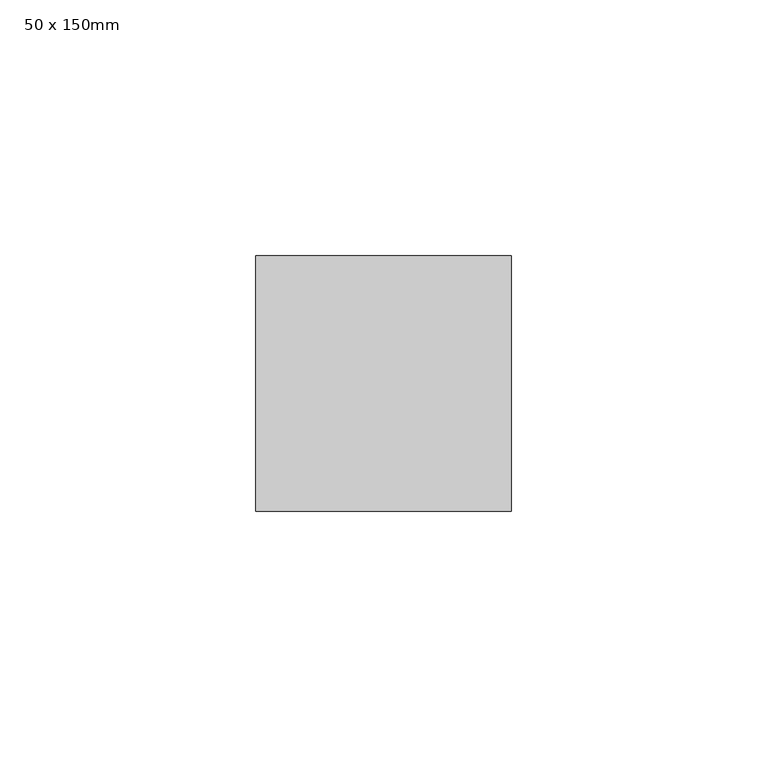
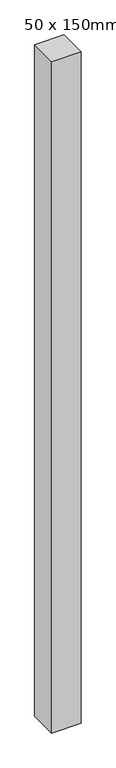
"""IFC4 building model written with IfcOpenShell, lengths in millimetres: member geometry, 50 x 150mm."""

from ifc_helpers import new_model, si_unit, frame, origin, place, context, project, spatial, polyline, outline, extrude, source, transform, mapped, element, save


def member_50_x_150mm_257ba836(model_context):
    return source(origin(), model_context, "Body", "SweptSolid", [
        extrude(outline(polyline([(25.0, 25.0), (25.0, -25.0), (-25.0, -25.0), (-25.0, 25.0), (25.0, 25.0)])), frame((0.0, 0.0, -1203.2937659), z_axis=(0.0, 0.0, 1.0), x_axis=(1.0, 0.0, 0.0)), (0.0, 0.0, 1.0), 1203.2937659),
    ])


if __name__ == "__main__":
    model = new_model("IFC4")
    model_context = context("Model", 3, world=origin())
    ifc_project = project(units=[si_unit("LENGTHUNIT", "METRE", prefix="MILLI")], contexts=[model_context])
    site = spatial("IfcSite", under=ifc_project)
    building = spatial("IfcBuilding", under=site)
    placement = place(None, origin())
    member_50_x_150mm_shape = member_50_x_150mm_257ba836(model_context)
    element("IfcMember", 1, ObjectType="50 x 150mm", at=placement, inside=building, context=model_context, shape_type="MappedRepresentation", body=[
        mapped(member_50_x_150mm_shape, transform((0.0, 0.0, 0.0), x_axis=(1.0, 0.0, 0.0), y_axis=(0.0, 1.0, 0.0), z_axis=(0.0, 0.0, 1.0))),
    ])
    save(model, "model.ifc")
